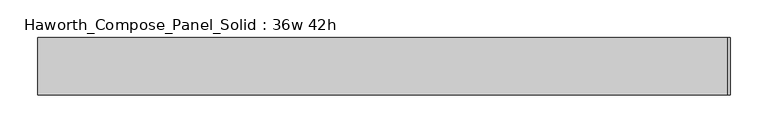
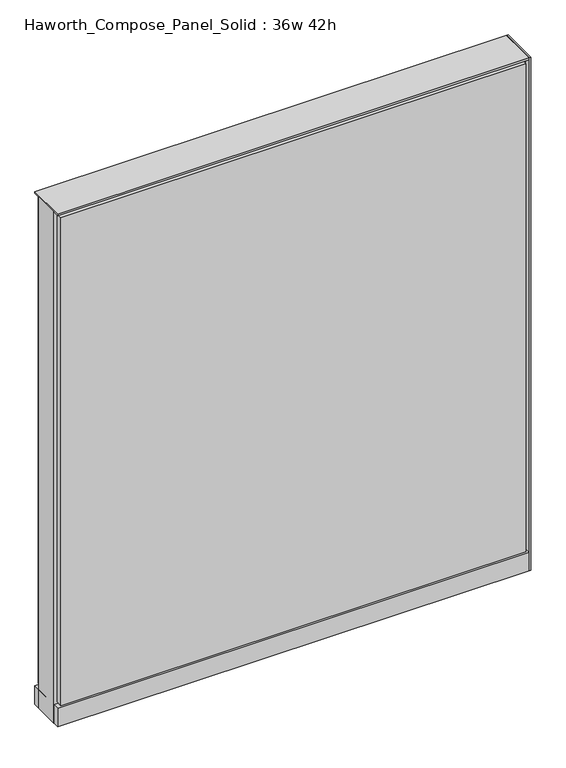
"""IFC4 building model written with IfcOpenShell, lengths in millimetres: furniture geometry, Haworth_Compose_Panel_Solid : 36w 42h."""

from ifc_helpers import new_model, si_unit, point, frame, frame_2d, origin, origin_with_axes, place, context, project, spatial, polyline, circle_curve, trimmed, segment, composite_curve, outline, extrude, source, transform, mapped, element, save


def haworth_compose_panel_solid_36w_42h_11afff28(model_context):
    return source(origin(), model_context, "Body", "SweptSolid", [
        extrude(outline(composite_curve([segment(trimmed(circle_curve(frame_2d((-378.5597098, 0.0)), 12.7), [point((-391.2597098, 0.0))], [point((-365.8597098, 0.0))], False, "CARTESIAN"), True, "CONTINUOUS"), segment(trimmed(circle_curve(frame_2d((-378.5597098, 0.0)), 12.7), [point((-365.8597098, 0.0))], [point((-391.2597098, 0.0))], False, "CARTESIAN"), True, "CONTINUOUS")], self_intersect=False)), origin_with_axes(), (0.0, 0.0, 1.0), 12.7),
        extrude(outline(composite_curve([segment(trimmed(circle_curve(frame_2d((383.4402902, 0.0)), 12.7), [point((370.7402902, 0.0))], [point((396.1402902, 0.0))], False, "CARTESIAN"), True, "CONTINUOUS"), segment(trimmed(circle_curve(frame_2d((383.4402902, 0.0)), 12.7), [point((396.1402902, 0.0))], [point((370.7402902, 0.0))], False, "CARTESIAN"), True, "CONTINUOUS")], self_intersect=False)), origin_with_axes(), (0.0, 0.0, 1.0), 12.7),
        extrude(outline(polyline([(462.8152902, -38.1), (459.6402902, -38.1), (459.6402902, 38.1), (462.8152902, 38.1), (462.8152902, -38.1)])), frame((0.0, 0.0, 12.7), z_axis=(0.0, 0.0, 1.0), x_axis=(1.0, 0.0, 0.0)), (0.0, 0.0, 1.0), 1050.925),
        extrude(outline(polyline([(453.2902902, -38.1), (-448.4097098, -38.1), (-448.4097098, -25.4), (453.2902902, -25.4), (453.2902902, -38.1)])), frame((0.0, 0.0, 53.975), z_axis=(0.0, 0.0, 1.0), x_axis=(1.0, 0.0, 0.0)), (0.0, 0.0, 1.0), 1000.125),
        extrude(outline(polyline([(453.2902902, 38.1), (453.2902902, 25.4), (-448.4097098, 25.4), (-448.4097098, 38.1), (453.2902902, 38.1)])), frame((0.0, 0.0, 53.975), z_axis=(0.0, 0.0, 1.0), x_axis=(1.0, 0.0, 0.0)), (0.0, 0.0, 1.0), 1000.125),
        extrude(outline(polyline([(459.6402902, -25.4), (-454.7597098, -25.4), (-454.7597098, 25.4), (459.6402902, 25.4), (459.6402902, -25.4)])), frame((0.0, 0.0, 12.7), z_axis=(0.0, 0.0, 1.0), x_axis=(1.0, 0.0, 0.0)), (0.0, 0.0, 1.0), 1047.75),
        extrude(outline(polyline([(-454.7597098, 38.1), (459.6402902, 38.1), (459.6402902, -38.1), (-454.7597098, -38.1), (-454.7597098, 38.1)])), frame((0.0, 0.0, 12.7), z_axis=(0.0, 0.0, 1.0), x_axis=(1.0, 0.0, 0.0)), (0.0, 0.0, 1.0), 38.1),
        extrude(outline(polyline([(-454.7597098, 38.1), (459.6402902, 38.1), (459.6402902, -38.1), (-454.7597098, -38.1), (-454.7597098, 38.1)])), frame((0.0, 0.0, 1060.45), z_axis=(0.0, 0.0, 1.0), x_axis=(1.0, 0.0, 0.0)), (0.0, 0.0, 1.0), 3.175),
    ])


if __name__ == "__main__":
    model = new_model("IFC4")
    model_context = context("Model", 3, world=origin())
    ifc_project = project(units=[si_unit("LENGTHUNIT", "METRE", prefix="MILLI")], contexts=[model_context])
    site = spatial("IfcSite", under=ifc_project)
    building = spatial("IfcBuilding", under=site)
    placement = place(None, origin())
    haworth_compose_panel_solid_36w_42h_shape = haworth_compose_panel_solid_36w_42h_11afff28(model_context)
    element("IfcFurniture", 1, ObjectType="Haworth_Compose_Panel_Solid : 36w 42h", at=placement, inside=building, context=model_context, shape_type="MappedRepresentation", body=[
        mapped(haworth_compose_panel_solid_36w_42h_shape, transform((0.0, 0.0, 0.0), x_axis=(1.0, 0.0, 0.0), y_axis=(0.0, 1.0, 0.0), z_axis=(0.0, 0.0, 1.0))),
    ])
    save(model, "model.ifc")
